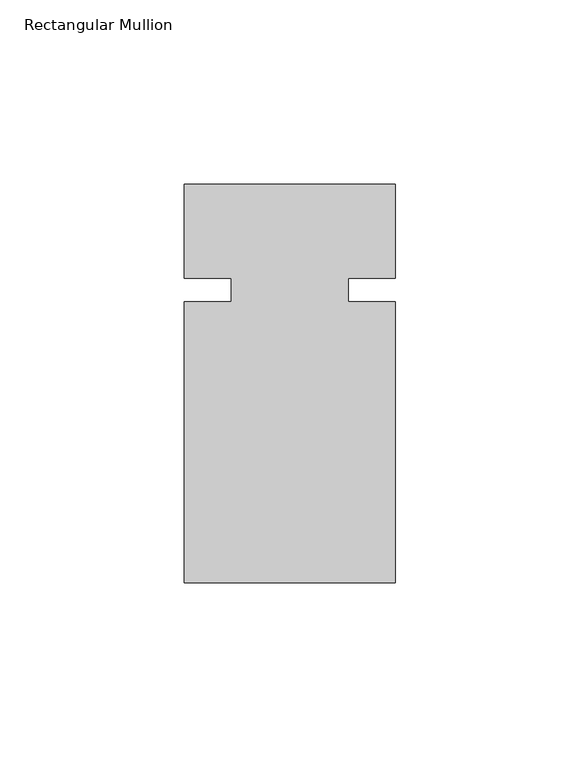
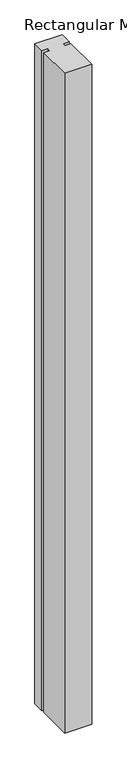
"""IFC4 building model written with IfcOpenShell, lengths in millimetres: member geometry, Rectangular Mullion."""

from ifc_helpers import new_model, si_unit, frame, origin, place, context, project, spatial, polyline, outline, extrude, source, transform, mapped, element, save


def rectangular_mullion_8beec49b(model_context):
    return source(origin(), model_context, "Body", "SweptSolid", [
        extrude(outline(polyline([(32.9094027, -79.375), (-24.2405973, -79.375), (-24.2405973, -3.175), (-11.5405973, -3.175), (-11.5405973, 3.175), (-24.2405973, 3.175), (-24.2405973, 28.575), (32.9094027, 28.575), (32.9094027, 3.175), (20.2076322, 3.175), (20.2076322, -3.175), (32.9094027, -3.175), (32.9094027, -79.375)])), frame((0.0, 0.0, -1463.04), z_axis=(0.0, 0.0, 1.0), x_axis=(1.0, 0.0, 0.0)), (0.0, 0.0, 1.0), 1463.04),
    ])


if __name__ == "__main__":
    model = new_model("IFC4")
    model_context = context("Model", 3, world=origin())
    ifc_project = project(units=[si_unit("LENGTHUNIT", "METRE", prefix="MILLI")], contexts=[model_context])
    site = spatial("IfcSite", under=ifc_project)
    building = spatial("IfcBuilding", under=site)
    placement = place(None, origin())
    rectangular_mullion_shape = rectangular_mullion_8beec49b(model_context)
    element("IfcMember", 1, ObjectType="Rectangular Mullion", at=placement, inside=building, context=model_context, shape_type="MappedRepresentation", body=[
        mapped(rectangular_mullion_shape, transform((0.0, 0.0, 0.0), x_axis=(1.0, 0.0, 0.0), y_axis=(0.0, 1.0, 0.0), z_axis=(0.0, 0.0, 1.0))),
    ])
    save(model, "model.ifc")
